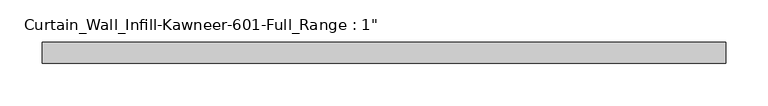
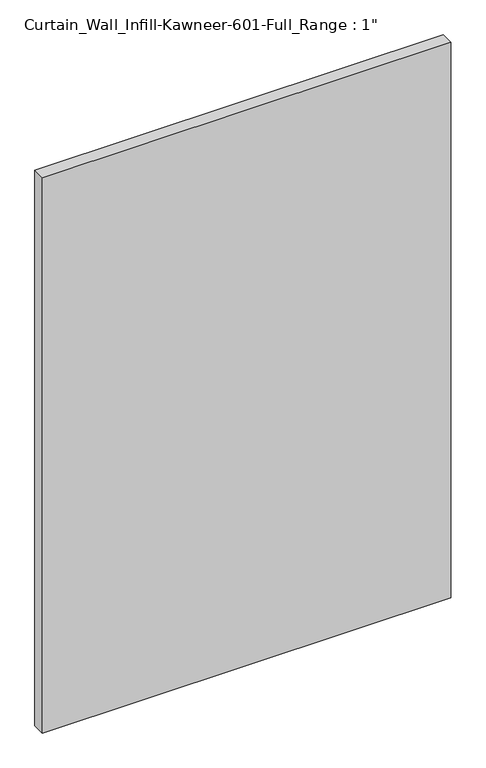
"""IFC4 building model written with IfcOpenShell, lengths in millimetres: plate geometry."""

from ifc_helpers import new_model, si_unit, origin, origin_with_axes, place, context, project, spatial, polyline, outline, extrude, source, transform, mapped, element, save


def plate_32571447(model_context):
    return source(origin(), model_context, "Body", "SweptSolid", [
        extrude(outline(polyline([(-406.4, 12.7), (406.4, 12.7), (406.4, -12.7), (-406.4, -12.7), (-406.4, 12.7)])), origin_with_axes(), (0.0, 0.0, 1.0), 1168.4),
    ])


if __name__ == "__main__":
    model = new_model("IFC4")
    model_context = context("Model", 3, world=origin())
    ifc_project = project(units=[si_unit("LENGTHUNIT", "METRE", prefix="MILLI")], contexts=[model_context])
    site = spatial("IfcSite", under=ifc_project)
    building = spatial("IfcBuilding", under=site)
    placement = place(None, origin())
    plate_shape = plate_32571447(model_context)
    element("IfcPlate", 1, ObjectType="Curtain_Wall_Infill-Kawneer-601-Full_Range : 1\"", at=placement, inside=building, context=model_context, shape_type="MappedRepresentation", body=[
        mapped(plate_shape, transform((0.0, 0.0, 0.0), x_axis=(1.0, 0.0, 0.0), y_axis=(0.0, 1.0, 0.0), z_axis=(0.0, 0.0, 1.0))),
    ])
    save(model, "model.ifc")
